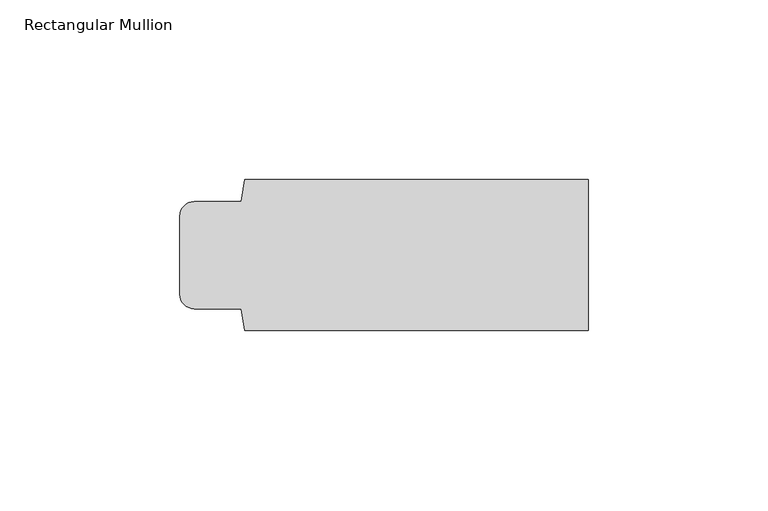
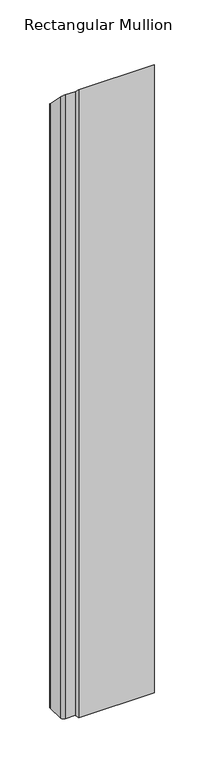
"""IFC4 building model written with IfcOpenShell, lengths in millimetres: member geometry, Rectangular Mullion."""

from ifc_helpers import new_model, si_unit, frame, origin, place, context, project, spatial, circle_curve, ellipse_curve, source, transform, mapped, element, save
from ifc_brep_helpers import plane_surface, cylinder_surface, advanced_brep


def rectangular_mullion_0d0f969f(model_context):
    return source(origin(), model_context, "Body", "AdvancedBrep", [
        advanced_brep(
        [(0.0, 21.0, -820.7878017), (0.0, -21.0, -820.7878017), (-95.5, -21.0, -820.7878017), (-96.5, -14.9, -820.7878017), (-109.5, -14.9, -820.7878017), (-113.5, -10.9, -820.7878017), (-113.5, 10.9, -820.7878017), (-109.5, 14.9, -820.7878017), (-96.5, 14.9, -820.7878017), (-95.5, 21.0, -820.7878017), (-95.5, 21.0, -21.0), (0.0, 21.0, -21.0), (-96.5, 14.9, -14.9), (-109.5, 14.9, -14.9), (-113.5, 10.9, -10.9), (-113.5, -10.9, 10.9), (-109.5, -14.9, 14.9), (-96.5, -14.9, 14.9), (-95.5, -21.0, 21.0), (0.0, -21.0, 21.0)],
        [
            (0, 1),
            (1, 2),
            (2, 3),
            (3, 4),
            (4, 5, circle_curve(frame((-109.5, -10.9, -820.7878017), z_axis=(0.0, 0.0, -1.0), x_axis=(0.0, -1.0, 0.0)), 4.0)),
            (5, 6),
            (6, 7, circle_curve(frame((-109.5, 10.9, -820.7878017), z_axis=(0.0, 0.0, -1.0), x_axis=(-1.0, 0.0, 0.0)), 4.0)),
            (7, 8),
            (8, 9),
            (9, 0),
            (10, 11),
            (11, 0),
            (9, 10),
            (12, 10),
            (8, 12),
            (13, 12),
            (7, 13),
            (14, 13, ellipse_curve(frame((-109.5, 10.9, -10.9), z_axis=(0.0, -0.7071067811865447, -0.7071067811865503), x_axis=(0.0, -0.7071067811865503, 0.7071067811865447)), 5.6568542, 4.0)),
            (6, 14),
            (15, 14),
            (5, 15),
            (16, 15, ellipse_curve(frame((-109.5, -10.9, 10.9), z_axis=(0.0, -0.7071067811865447, -0.7071067811865503), x_axis=(0.0, -0.7071067811865503, 0.7071067811865447)), 5.6568542, 4.0)),
            (4, 16),
            (17, 16),
            (3, 17),
            (18, 17),
            (2, 18),
            (19, 18),
            (1, 19),
            (11, 19),
        ],
        [
            plane_surface(frame((0.0, -114.0221908, -820.7878017), z_axis=(0.0, 0.0, -1.0), x_axis=(-1.0, 0.0, 0.0))),
            plane_surface(frame((0.0, 21.0, 0.0), z_axis=(0.0, 1.0, 0.0), x_axis=(0.0, 0.0, -1.0))),
            plane_surface(frame((-95.5, 21.0, 0.0), z_axis=(-0.9868276651053609, 0.16177502706753552, 0.0), x_axis=(0.0, 0.0, -1.0))),
            plane_surface(frame((-96.5, 14.9, 0.0), z_axis=(0.0, 1.0, 0.0), x_axis=(0.0, 0.0, -1.0))),
            cylinder_surface(frame((-109.5, 10.9, 0.0), z_axis=(0.0, 0.0, 1.0), x_axis=(-1.0, 0.0, 0.0)), 4.0),
            plane_surface(frame((-113.5, 10.9, 0.0), z_axis=(-1.0, 0.0, 0.0), x_axis=(0.0, 0.0, -1.0))),
            cylinder_surface(frame((-109.5, -10.9, 0.0), z_axis=(0.0, 0.0, 1.0), x_axis=(0.0, -1.0, 0.0)), 4.0),
            plane_surface(frame((-109.5, -14.9, 0.0), z_axis=(0.0, -1.0, 0.0), x_axis=(0.0, 0.0, -1.0))),
            plane_surface(frame((-96.5, -14.9, 0.0), z_axis=(-0.9868276651056599, -0.16177502706571165, 0.0), x_axis=(0.0, 0.0, -1.0))),
            plane_surface(frame((-95.5, -21.0, 0.0), z_axis=(0.0, -1.0, 0.0), x_axis=(0.0, 0.0, -1.0))),
            plane_surface(frame((0.0, -21.0, 0.0), z_axis=(1.0, 0.0, 0.0), x_axis=(0.0, 0.0, -1.0))),
            plane_surface(frame((-304.8, 0.0, 0.0), z_axis=(0.0, 0.7071067811865447, 0.7071067811865503), x_axis=(0.0, 0.7071067811865503, -0.7071067811865447))),
        ],
        [
            (0, [[1, 2, 3, 4, 5, 6, 7, 8, 9, 10]]),
            (1, [[11, 12, -10, 13]]),
            (2, [[14, -13, -9, 15]]),
            (3, [[16, -15, -8, 17]]),
            (4, [[18, -17, -7, 19]]),
            (5, [[20, -19, -6, 21]]),
            (6, [[22, -21, -5, 23]]),
            (7, [[24, -23, -4, 25]]),
            (8, [[26, -25, -3, 27]]),
            (9, [[28, -27, -2, 29]]),
            (10, [[30, -29, -1, -12]]),
            (11, [[-11, -14, -16, -18, -20, -22, -24, -26, -28, -30]]),
        ],
    ),
    ])


if __name__ == "__main__":
    model = new_model("IFC4")
    model_context = context("Model", 3, world=origin())
    ifc_project = project(units=[si_unit("LENGTHUNIT", "METRE", prefix="MILLI")], contexts=[model_context])
    site = spatial("IfcSite", under=ifc_project)
    building = spatial("IfcBuilding", under=site)
    placement = place(None, origin())
    rectangular_mullion_shape = rectangular_mullion_0d0f969f(model_context)
    element("IfcMember", 1, ObjectType="Rectangular Mullion", at=placement, inside=building, context=model_context, shape_type="MappedRepresentation", body=[
        mapped(rectangular_mullion_shape, transform((0.0, 0.0, 0.0), x_axis=(1.0, 0.0, 0.0), y_axis=(0.0, 1.0, 0.0), z_axis=(0.0, 0.0, 1.0))),
    ])
    save(model, "model.ifc")
